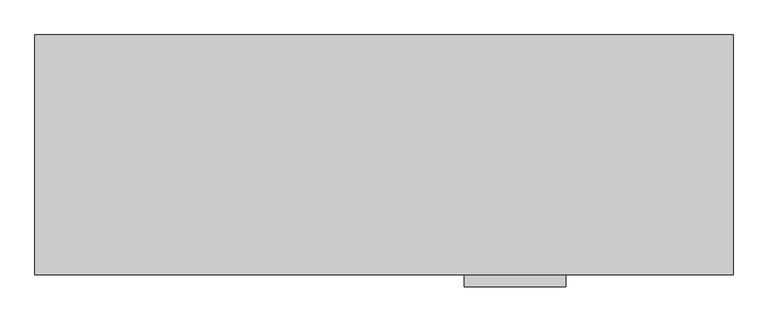
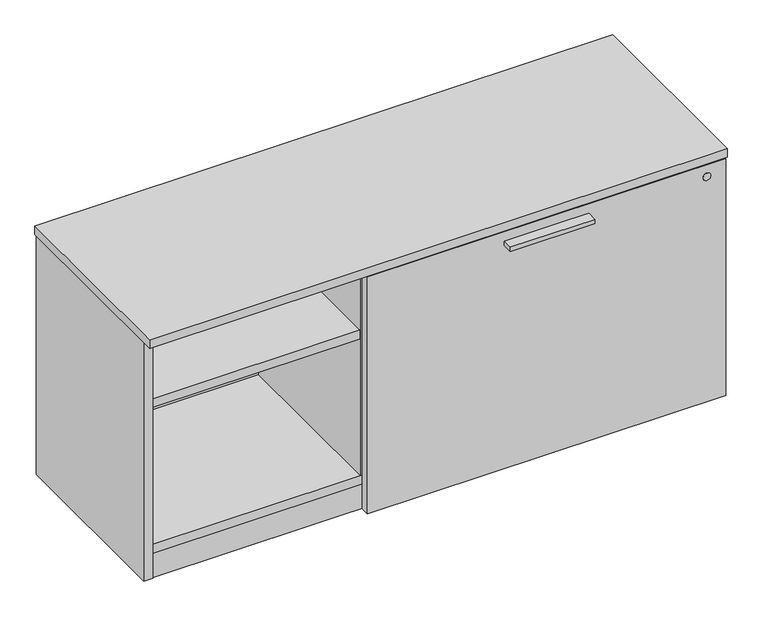
"""IFC4 building model written with IfcOpenShell, lengths in millimetres: furniture geometry."""

from ifc_helpers import new_model, si_unit, point, frame, frame_2d, origin, origin_with_axes, place, context, project, spatial, polyline, circle_curve, trimmed, segment, composite_curve, outline, extrude, source, transform, mapped, element, save


def furniture_8fb05076(model_context):
    return source(origin(), model_context, "Body", "SweptSolid", [
        extrude(outline(polyline([(927.1635, -447.8158592), (749.3635, -447.8158592), (749.3635, -425.5908592), (927.1635, -425.5908592), (927.1635, -447.8158592)])), frame((0.0, 0.0, 506.1508939), z_axis=(0.0, 0.0, 1.0), x_axis=(1.0, 0.0, 0.0)), (0.0, 0.0, 1.0), 9.525),
        extrude(outline(polyline([(1156.8692022, -345.6355984), (1172.81706, -336.4280984), (1188.7649178, -345.6355984), (1188.7649178, -364.0505984), (1172.81706, -373.2580984), (1156.8692022, -364.0505984), (1156.8692022, -345.6355984)])), origin_with_axes(), (0.0, 0.0, 1.0), 9.144),
        extrude(outline(polyline([(1156.8692022, -47.1181713), (1172.81706, -37.9106713), (1188.7649178, -47.1181713), (1188.7649178, -65.5331713), (1172.81706, -74.7406713), (1156.8692022, -65.5331713), (1156.8692022, -47.1181713)])), origin_with_axes(), (0.0, 0.0, 1.0), 9.144),
        extrude(outline(polyline([(30.4350822, -345.6355984), (46.38294, -336.4280984), (62.3307978, -345.6355984), (62.3307978, -364.0505984), (46.38294, -373.2580984), (30.4350822, -364.0505984), (30.4350822, -345.6355984)])), origin_with_axes(), (0.0, 0.0, 1.0), 9.144),
        extrude(outline(polyline([(30.4350822, -47.1181713), (46.38294, -37.9106713), (62.3307978, -47.1181713), (62.3307978, -65.5331713), (46.38294, -74.7406713), (30.4350822, -65.5331713), (30.4350822, -47.1181713)])), origin_with_axes(), (0.0, 0.0, 1.0), 9.144),
        extrude(outline(polyline([(1198.3085154, -401.5878548), (20.8915005, -401.5878548), (20.8915005, -382.2838548), (1198.3085154, -382.2838548), (1198.3085154, -401.5878548)])), frame((0.0, 0.0, 4.699), z_axis=(0.0, 0.0, 1.0), x_axis=(1.0, 0.0, 0.0)), (0.0, 0.0, 1.0), 55.56758),
        extrude(outline(polyline([(460.502, -406.2868776), (1216.025, -406.2868776), (1216.025, -425.5908592), (460.502, -425.5908592), (460.502, -406.2868776)])), frame((0.0, 0.0, 7.874), z_axis=(0.0, 0.0, 1.0), x_axis=(1.0, 0.0, 0.0)), (0.0, 0.0, 1.0), 528.4393939),
        extrude(outline(polyline([(1198.3085154, -30.4938704), (1198.3085154, -402.7308447), (20.8915005, -402.7308447), (20.8915005, -30.4938704), (1198.3085154, -30.4938704)])), frame((0.0, 0.0, 520.1843787), z_axis=(0.0, 0.0, 1.0), x_axis=(1.0, 0.0, 0.0)), (0.0, 0.0, 1.0), 19.304),
        extrude(outline(polyline([(478.2185, -30.4938704), (478.2185, -401.5878548), (458.9145, -401.5878548), (458.9145, -30.4938704), (478.2185, -30.4938704)])), frame((0.0, 0.0, 79.57058), z_axis=(0.0, 0.0, 1.0), x_axis=(1.0, 0.0, 0.0)), (0.0, 0.0, 1.0), 440.6137987),
        extrude(outline(polyline([(458.9145, -30.4938704), (458.9145, -400.8258374), (20.8915, -400.8258374), (20.8915, -30.4938704), (458.9145, -30.4938704)])), frame((0.0, 0.0, 384.3705787), z_axis=(0.0, 0.0, 1.0), x_axis=(1.0, 0.0, 0.0)), (0.0, 0.0, 1.0), 19.304),
        extrude(outline(polyline([(1219.2, -8.0783713), (1219.2, -427.1783713), (0.0, -427.1783713), (0.0, -8.0783713), (1219.2, -8.0783713)])), frame((0.0, 0.0, 539.4883818), z_axis=(0.0, 0.0, 1.0), x_axis=(1.0, 0.0, 0.0)), (0.0, 0.0, 1.0), 19.0499969),
        extrude(outline(polyline([(1198.3085154, -30.4938704), (1198.3085154, -402.7308447), (20.8915005, -402.7308447), (20.8915005, -30.4938704), (1198.3085154, -30.4938704)])), frame((0.0, 0.0, 60.26658), z_axis=(0.0, 0.0, 1.0), x_axis=(1.0, 0.0, 0.0)), (0.0, 0.0, 1.0), 19.304),
        extrude(outline(polyline([(1198.3085154, -11.1898712), (1198.3085154, -30.4938704), (20.8915005, -30.4938704), (20.8915005, -11.1898712), (1198.3085154, -11.1898712)])), frame((0.0, 0.0, 4.699), z_axis=(0.0, 0.0, 1.0), x_axis=(1.0, 0.0, 0.0)), (0.0, 0.0, 1.0), 534.7893787),
        extrude(outline(polyline([(20.8915005, -9.6658713), (20.8915005, -403.1118534), (1.5875, -403.1118534), (1.5875, -9.6658713), (20.8915005, -9.6658713)])), frame((0.0, 0.0, 4.699), z_axis=(0.0, 0.0, 1.0), x_axis=(1.0, 0.0, 0.0)), (0.0, 0.0, 1.0), 534.7893787),
        extrude(outline(polyline([(1198.3085154, -9.6658713), (1217.6125158, -9.6658713), (1217.6125158, -403.1118534), (1198.3085154, -403.1118534), (1198.3085154, -9.6658713)])), frame((0.0, 0.0, 4.699), z_axis=(0.0, 0.0, 1.0), x_axis=(1.0, 0.0, 0.0)), (0.0, 0.0, 1.0), 534.7893787),
        extrude(outline(composite_curve([segment(trimmed(circle_curve(frame_2d((510.9133939, 1176.02)), 8.001), [point((510.9133939, 1184.021))], [point((510.9133939, 1168.019))], False, "CARTESIAN"), True, "CONTINUOUS"), segment(trimmed(circle_curve(frame_2d((510.9133939, 1176.02)), 8.001), [point((510.9133939, 1168.019))], [point((510.9133939, 1184.021))], False, "CARTESIAN"), True, "CONTINUOUS")], self_intersect=False)), frame((0.0, -427.1783713, 0.0), z_axis=(0.0, 1.0, 0.0), x_axis=(0.0, 0.0, 1.0)), (0.0, 0.0, 1.0), 1.5875121),
    ])


if __name__ == "__main__":
    model = new_model("IFC4")
    model_context = context("Model", 3, world=origin())
    ifc_project = project(units=[si_unit("LENGTHUNIT", "METRE", prefix="MILLI")], contexts=[model_context])
    site = spatial("IfcSite", under=ifc_project)
    building = spatial("IfcBuilding", under=site)
    placement = place(None, origin())
    furniture_shape = furniture_8fb05076(model_context)
    element("IfcFurniture", 1, at=placement, inside=building, context=model_context, shape_type="MappedRepresentation", body=[
        mapped(furniture_shape, transform((0.0, 0.0, 0.0), x_axis=(1.0, 0.0, 0.0), y_axis=(0.0, 1.0, 0.0), z_axis=(0.0, 0.0, 1.0))),
    ])
    save(model, "model.ifc")
